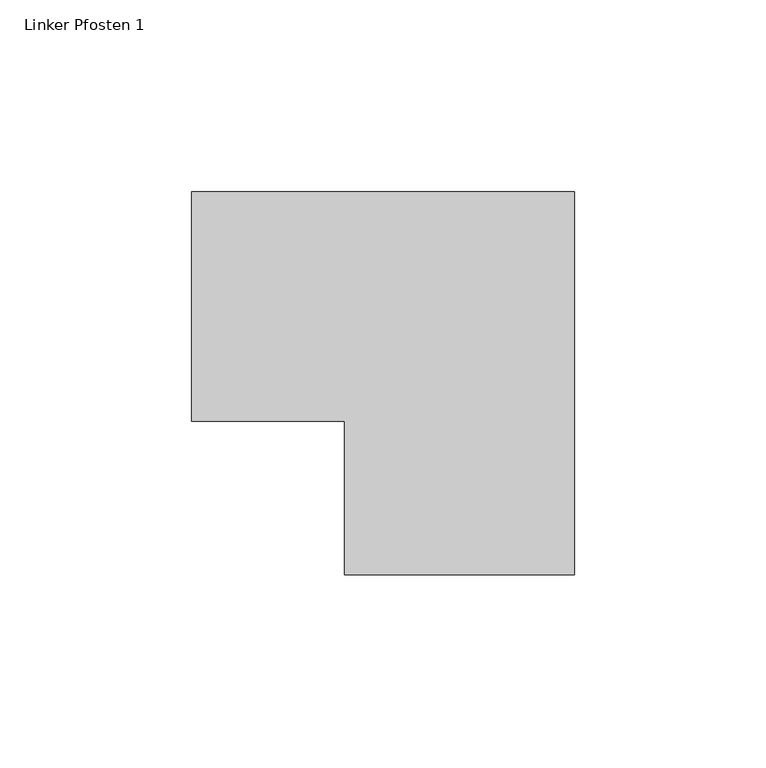
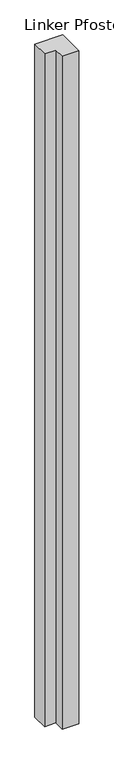
"""IFC4 building model written with IfcOpenShell, lengths in millimetres: member geometry, Linker Pfosten 1."""

from ifc_helpers import new_model, si_unit, frame, origin, place, context, project, spatial, polyline, outline, extrude, source, transform, mapped, element, save


def linker_pfosten_1_fec4a991(model_context):
    return source(origin(), model_context, "Body", "SweptSolid", [
        extrude(outline(polyline([(-30.0, -70.0), (-30.0, -30.0), (-70.0, -30.0), (-70.0, 30.0), (30.0, 30.0), (30.0, -70.0), (-30.0, -70.0)])), frame((0.0, 0.0, -2550.0), z_axis=(0.0, 0.0, 1.0), x_axis=(1.0, 0.0, 0.0)), (0.0, 0.0, 1.0), 2550.0),
    ])


if __name__ == "__main__":
    model = new_model("IFC4")
    model_context = context("Model", 3, world=origin())
    ifc_project = project(units=[si_unit("LENGTHUNIT", "METRE", prefix="MILLI")], contexts=[model_context])
    site = spatial("IfcSite", under=ifc_project)
    building = spatial("IfcBuilding", under=site)
    placement = place(None, origin())
    linker_pfosten_1_shape = linker_pfosten_1_fec4a991(model_context)
    element("IfcMember", 1, ObjectType="Linker Pfosten 1", at=placement, inside=building, context=model_context, shape_type="MappedRepresentation", body=[
        mapped(linker_pfosten_1_shape, transform((0.0, 0.0, 0.0), x_axis=(1.0, 0.0, 0.0), y_axis=(0.0, 1.0, 0.0), z_axis=(0.0, 0.0, 1.0))),
    ])
    save(model, "model.ifc")
